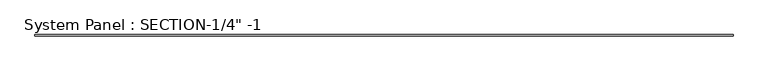
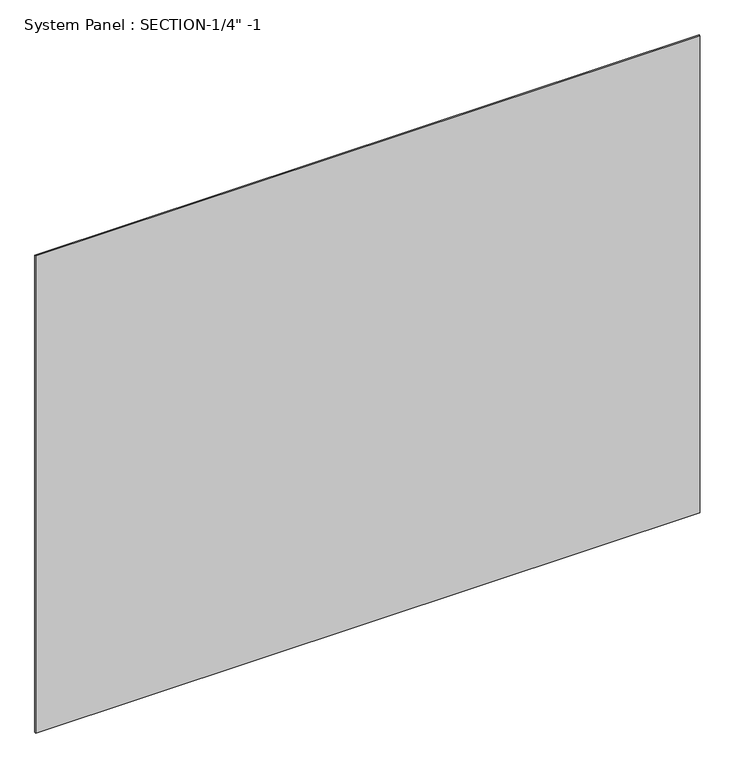
"""IFC4 building model written with IfcOpenShell, lengths in millimetres: plate geometry."""

from ifc_helpers import new_model, si_unit, origin, origin_with_axes, place, context, project, spatial, polyline, outline, extrude, source, transform, mapped, element, save


def plate_d0509913(model_context):
    return source(origin(), model_context, "Body", "SweptSolid", [
        extrude(outline(polyline([(2006.9273966, -6.35), (-2006.9273966, -6.35), (-2006.9273966, 0.0), (2006.9273966, 0.0), (2006.9273966, -6.35)])), origin_with_axes(), (0.0, 0.0, 1.0), 3048.0),
    ])


if __name__ == "__main__":
    model = new_model("IFC4")
    model_context = context("Model", 3, world=origin())
    ifc_project = project(units=[si_unit("LENGTHUNIT", "METRE", prefix="MILLI")], contexts=[model_context])
    site = spatial("IfcSite", under=ifc_project)
    building = spatial("IfcBuilding", under=site)
    placement = place(None, origin())
    plate_shape = plate_d0509913(model_context)
    element("IfcPlate", 1, ObjectType="System Panel : SECTION-1/4\" -1", at=placement, inside=building, context=model_context, shape_type="MappedRepresentation", body=[
        mapped(plate_shape, transform((0.0, 0.0, 0.0), x_axis=(1.0, 0.0, 0.0), y_axis=(0.0, 1.0, 0.0), z_axis=(0.0, 0.0, 1.0))),
    ])
    save(model, "model.ifc")
